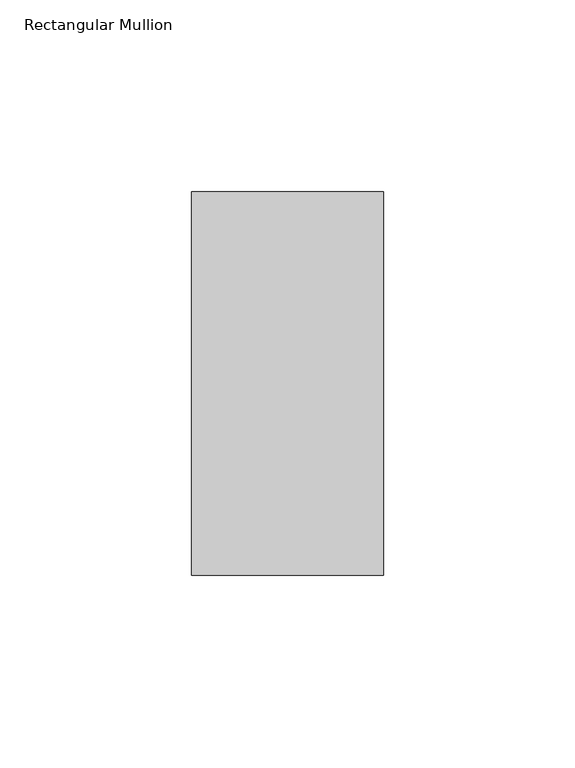
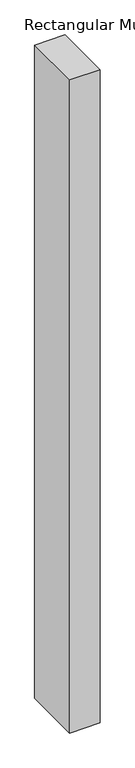
"""IFC4 building model written with IfcOpenShell, lengths in millimetres: member geometry, Rectangular Mullion."""

import ifcopenshell
import ifcopenshell.guid

model = None  # the IFC model being written
_history = None  # IfcOwnerHistory: only IFC2X3 demands one
_inside = {}  # id of a spatial element -> (the spatial element, [elements in it])
_under = {}  # id of a project, library or spatial element -> (it, [spatial elements below it])
_declared = {}  # id of a project -> (the project, [libraries it declares])
_typed = {}  # id of a type object -> (the type object, [elements of that type])
_made_of = {}  # id of a material, layer set ... -> (it, [elements and type objects made of it])


def new_model(schema):
    """Start an empty IFC model of exactly this schema.

    Asked for "IFC4X3", IfcOpenShell would pick the latest addendum, in which some entities
    have other attributes; the version numbers below select the first issue.
    IFC2X3 requires an IfcOwnerHistory on every rooted entity: one is made here for all.
    """
    global model, _history
    if schema == "IFC4X3":
        model = ifcopenshell.file(schema_version=(4, 3, 0, 0))
    else:
        model = ifcopenshell.file(schema=schema)
    _inside.clear()
    _under.clear()
    _declared.clear()
    _typed.clear()
    _made_of.clear()
    _history = None
    if model.schema == "IFC2X3":
        org = make("IfcOrganization", Name="unknown")
        user = make(
            "IfcPersonAndOrganization",
            ThePerson=make("IfcPerson", FamilyName="unknown"),
            TheOrganization=org,
        )
        app = make(
            "IfcApplication",
            ApplicationDeveloper=org,
            Version="unknown",
            ApplicationFullName="unknown",
            ApplicationIdentifier="unknown",
        )
        _history = make(
            "IfcOwnerHistory",
            OwningUser=user,
            OwningApplication=app,
            ChangeAction="ADDED",
            CreationDate=0,
        )
    return model


def make(cls, **values):
    """One entity of the class cls with the attributes given. An attribute that is None is left unset."""
    return model.create_entity(
        cls, **{name: value for name, value in values.items() if value is not None}
    )


def rooted(cls, **values):
    """An entity with a GlobalId (a new one), such as an element, a storey or a relation."""
    return make(cls, GlobalId=ifcopenshell.guid.new(), OwnerHistory=_history, **values)


def si_unit(unit_type, name, prefix=None):
    """IfcSIUnit, for example si_unit("LENGTHUNIT", "METRE", prefix="MILLI")."""
    return make("IfcSIUnit", UnitType=unit_type, Prefix=prefix, Name=name)


def assignment(units):
    """IfcUnitAssignment: the units of a project."""
    return None if units is None else make("IfcUnitAssignment", Units=units)


def point(xyz):
    """IfcCartesianPoint."""
    return None if xyz is None else make("IfcCartesianPoint", Coordinates=xyz)


def direction(xyz):
    """IfcDirection."""
    return None if xyz is None else make("IfcDirection", DirectionRatios=xyz)


def frame(location, z_axis=None, x_axis=None):
    """IfcAxis2Placement3D, a coordinate frame: its origin and axes. An axis left out is left unset."""
    return make(
        "IfcAxis2Placement3D",
        Location=point(location),
        Axis=direction(z_axis),
        RefDirection=direction(x_axis),
    )


def origin():
    """The frame at (0, 0, 0) with its axes left unset."""
    return frame((0.0, 0.0, 0.0))


def place(relative_to, where):
    """IfcLocalPlacement: puts the frame where relative to a parent placement (None: the world)."""
    return make(
        "IfcLocalPlacement", PlacementRelTo=relative_to, RelativePlacement=where
    )


def context(
    kind, dimensions, precision=None, world=None, true_north=None, identifier=None
):
    """IfcGeometricRepresentationContext, for example the 3D "Model" context."""
    return make(
        "IfcGeometricRepresentationContext",
        ContextIdentifier=identifier,
        ContextType=kind,
        CoordinateSpaceDimension=dimensions,
        Precision=precision,
        WorldCoordinateSystem=world,
        TrueNorth=true_north,
    )


def project(units=None, contexts=None):
    """IfcProject with its units and contexts."""
    return rooted(
        "IfcProject",
        Name="project",
        RepresentationContexts=contexts,
        UnitsInContext=assignment(units),
    )


def spatial(cls, under=None, at=None, **own):
    """A site, building, storey or space (cls), placed at a placement, below another one or the project."""
    s = rooted(cls, ObjectPlacement=at, **own)
    if under is not None:
        _under.setdefault(under.id(), (under, []))[1].append(s)
    return s


def polyline(points):
    """IfcPolyline through the points."""
    return make("IfcPolyline", Points=[point(p) for p in points])


def outline(outer, holes=None, kind="AREA"):
    """IfcArbitraryClosedProfileDef: a profile drawn as a closed curve; with holes, ...WithVoids."""
    if holes is None:
        return make("IfcArbitraryClosedProfileDef", ProfileType=kind, OuterCurve=outer)
    return make(
        "IfcArbitraryProfileDefWithVoids",
        ProfileType=kind,
        OuterCurve=outer,
        InnerCurves=holes,
    )


def extrude(swept, where, along, depth):
    """IfcExtrudedAreaSolid: the profile swept, set in the frame where, extruded along a direction by depth."""
    return make(
        "IfcExtrudedAreaSolid",
        SweptArea=swept,
        Position=where,
        ExtrudedDirection=direction(along),
        Depth=depth,
    )


def shape(context_of_items, identifier, shape_type, items):
    """IfcShapeRepresentation: the items that make up one representation, for example the "Body"."""
    return make(
        "IfcShapeRepresentation",
        ContextOfItems=context_of_items,
        RepresentationIdentifier=identifier,
        RepresentationType=shape_type,
        Items=items,
    )


def source(mapping_origin, context_of_items, identifier, shape_type, items):
    """IfcRepresentationMap: a shape defined once, which mapped items show again and again."""
    return make(
        "IfcRepresentationMap",
        MappingOrigin=mapping_origin,
        MappedRepresentation=shape(context_of_items, identifier, shape_type, items),
    )


def transform(
    local_origin,
    x_axis=None,
    y_axis=None,
    z_axis=None,
    scale=None,
    scale2=None,
    scale3=None,
    uniform=True,
):
    """IfcCartesianTransformationOperator3D, or its non-uniform kind. x_axis, y_axis, z_axis: its Axis1, 2, 3."""
    if uniform:
        return make(
            "IfcCartesianTransformationOperator3D",
            Axis1=direction(x_axis),
            Axis2=direction(y_axis),
            LocalOrigin=point(local_origin),
            Scale=scale,
            Axis3=direction(z_axis),
        )
    return make(
        "IfcCartesianTransformationOperator3DnonUniform",
        Axis1=direction(x_axis),
        Axis2=direction(y_axis),
        LocalOrigin=point(local_origin),
        Scale=scale,
        Axis3=direction(z_axis),
        Scale2=scale2,
        Scale3=scale3,
    )


def mapped(mapping_source, mapping_target):
    """IfcMappedItem: shows the shape of a source again, moved by a transform."""
    return make(
        "IfcMappedItem", MappingSource=mapping_source, MappingTarget=mapping_target
    )


def made_of(thing, what):
    """Note that an element or type object is made of a material, layer set ...; save() writes the relation."""
    if what is not None:
        _made_of.setdefault(what.id(), (what, []))[1].append(thing)
    return thing


def element(
    cls,
    number,
    at=None,
    inside=None,
    cuts=None,
    type_object=None,
    material=None,
    context=None,
    identifier="Body",
    shape_type=None,
    held_by="IfcProductDefinitionShape",
    body=None,
    shapes=None,
    **own,
):
    """One element of the class cls, such as IfcWall. Its Tag is "e" and its number.

    at: its placement. inside: the storey or other place that contains it. cuts: it is an
    opening in that element (IfcRelVoidsElement). A single representation is given by context,
    identifier, shape_type and body (its items); several are given by shapes. held_by: the class
    of the entity that holds the representations. save() writes the other relations.
    """
    e = rooted(cls, Tag="e%d" % number, ObjectPlacement=at, **own)
    if body is not None:
        shapes = [shape(context, identifier, shape_type, body)]
    if shapes is not None:
        e.Representation = make(held_by, Representations=shapes)
    if inside is not None:
        _inside.setdefault(inside.id(), (inside, []))[1].append(e)
    if cuts is not None:
        rooted(
            "IfcRelVoidsElement", RelatingBuildingElement=cuts, RelatedOpeningElement=e
        )
    if type_object is not None:
        _typed.setdefault(type_object.id(), (type_object, []))[1].append(e)
    return made_of(e, material)


def aggregate(whole, parts):
    """IfcRelAggregates: a whole, such as a stair, and the parts it consists of."""
    return rooted("IfcRelAggregates", RelatingObject=whole, RelatedObjects=parts)


def save(model, path):
    """Write the relations noted so far, then the file.

    IfcRelAggregates (storeys below a building ...), IfcRelContainedInSpatialStructure (elements
    in a storey), IfcRelDefinesByType, IfcRelAssociatesMaterial and IfcRelDeclares: one each for
    every whole, place, type object, material and project.
    """
    for whole, parts in _under.values():
        aggregate(whole, parts)
    for where, things in _inside.values():
        rooted(
            "IfcRelContainedInSpatialStructure",
            RelatedElements=things,
            RelatingStructure=where,
        )
    for kind, things in _typed.values():
        rooted("IfcRelDefinesByType", RelatedObjects=things, RelatingType=kind)
    for what, things in _made_of.values():
        rooted("IfcRelAssociatesMaterial", RelatedObjects=things, RelatingMaterial=what)
    for by, libraries in _declared.values():
        rooted("IfcRelDeclares", RelatingContext=by, RelatedDefinitions=libraries)
    model.write(path)


def rectangular_mullion_f630baf8(model_context):
    return source(origin(), model_context, "Body", "SweptSolid", [
        extrude(outline(polyline([(0.0, 31.0), (0.0, -69.0), (-50.0, -69.0), (-50.0, 31.0), (0.0, 31.0)])), frame((0.0, 0.0, -1140.0), z_axis=(0.0, 0.0, 1.0), x_axis=(1.0, 0.0, 0.0)), (0.0, 0.0, 1.0), 1140.0),
    ])


if __name__ == "__main__":
    model = new_model("IFC4")
    model_context = context("Model", 3, world=origin())
    ifc_project = project(units=[si_unit("LENGTHUNIT", "METRE", prefix="MILLI")], contexts=[model_context])
    site = spatial("IfcSite", under=ifc_project)
    building = spatial("IfcBuilding", under=site)
    placement = place(None, origin())
    rectangular_mullion_shape = rectangular_mullion_f630baf8(model_context)
    element("IfcMember", 1, ObjectType="Rectangular Mullion", at=placement, inside=building, context=model_context, shape_type="MappedRepresentation", body=[
        mapped(rectangular_mullion_shape, transform((0.0, 0.0, 0.0), x_axis=(1.0, 0.0, 0.0), y_axis=(0.0, 1.0, 0.0), z_axis=(0.0, 0.0, 1.0))),
    ])
    save(model, "model.ifc")
